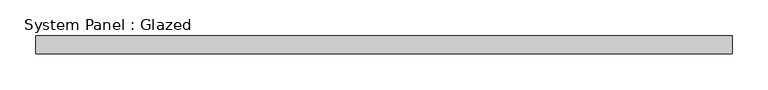
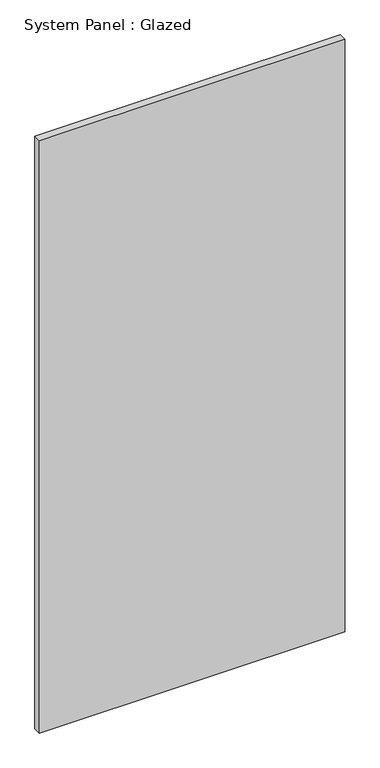
"""IFC4 building model written with IfcOpenShell, lengths in millimetres: plate geometry, System Panel : Glazed."""

from ifc_helpers import new_model, si_unit, origin, origin_with_axes, place, context, project, spatial, polyline, outline, extrude, source, transform, mapped, element, save


def system_panel_glazed_f4e782a6(model_context):
    return source(origin(), model_context, "Body", "SweptSolid", [
        extrude(outline(polyline([(487.7645802, 24.5), (-487.7645802, 24.5), (-487.7645802, 49.5), (487.7645802, 49.5), (487.7645802, 24.5)])), origin_with_axes(), (0.0, 0.0, 1.0), 2000.0),
    ])


if __name__ == "__main__":
    model = new_model("IFC4")
    model_context = context("Model", 3, world=origin())
    ifc_project = project(units=[si_unit("LENGTHUNIT", "METRE", prefix="MILLI")], contexts=[model_context])
    site = spatial("IfcSite", under=ifc_project)
    building = spatial("IfcBuilding", under=site)
    placement = place(None, origin())
    system_panel_glazed_shape = system_panel_glazed_f4e782a6(model_context)
    element("IfcPlate", 1, ObjectType="System Panel : Glazed", at=placement, inside=building, context=model_context, shape_type="MappedRepresentation", body=[
        mapped(system_panel_glazed_shape, transform((0.0, 0.0, 0.0), x_axis=(1.0, 0.0, 0.0), y_axis=(0.0, 1.0, 0.0), z_axis=(0.0, 0.0, 1.0))),
    ])
    save(model, "model.ifc")
